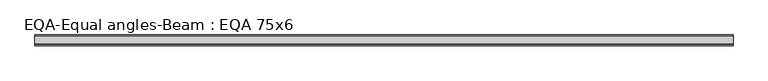
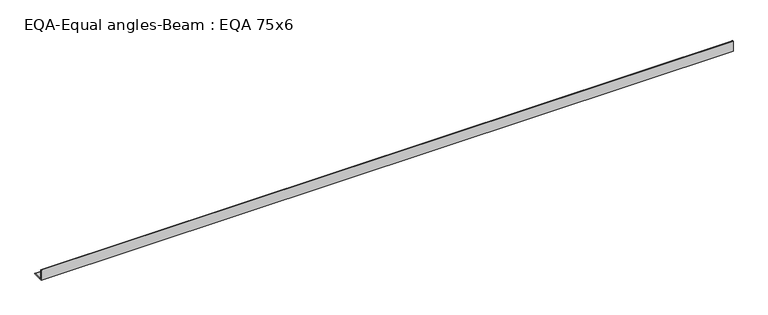
"""IFC4 building model written with IfcOpenShell, lengths in millimetres: beam geometry, EQA-Equal angles-Beam : EQA 75x6."""

from ifc_helpers import new_model, si_unit, point, frame, frame_2d, origin, place, context, project, spatial, polyline, circle_curve, trimmed, segment, composite_curve, outline, extrude, source, transform, mapped, element, save


def eqa_equal_angles_beam_eqa_75x6_db958d44(model_context):
    return source(origin(), model_context, "Body", "SweptSolid", [
        extrude(outline(composite_curve([segment(polyline([(-20.5, -20.5), (-20.5, 54.5), (-19.0, 54.5)]), True, "CONTINUOUS"), segment(trimmed(circle_curve(frame_2d((-19.0, 50.0)), 4.5), [point((-19.0, 54.5))], [point((-14.5, 50.0))], False, "CARTESIAN"), True, "CONTINUOUS"), segment(polyline([(-14.5, 50.0), (-14.5, -5.5)]), True, "CONTINUOUS"), segment(trimmed(circle_curve(frame_2d((-5.5, -5.5)), 9.0), [point((-14.5, -5.5))], [point((-5.5, -14.5))], True, "CARTESIAN"), True, "CONTINUOUS"), segment(polyline([(-5.5, -14.5), (50.0, -14.5)]), True, "CONTINUOUS"), segment(trimmed(circle_curve(frame_2d((50.0, -19.0)), 4.5), [point((50.0, -14.5))], [point((54.5, -19.0))], False, "CARTESIAN"), True, "CONTINUOUS"), segment(polyline([(54.5, -19.0), (54.5, -20.5), (-20.5, -20.5)]), True, "CONTINUOUS")], self_intersect=False)), frame((-2306.3746794, 0.0, 0.0), z_axis=(1.0, 0.0, 0.0), x_axis=(0.0, 1.0, 0.0)), (0.0, 0.0, 1.0), 4788.2517717),
    ])


if __name__ == "__main__":
    model = new_model("IFC4")
    model_context = context("Model", 3, world=origin())
    ifc_project = project(units=[si_unit("LENGTHUNIT", "METRE", prefix="MILLI")], contexts=[model_context])
    site = spatial("IfcSite", under=ifc_project)
    building = spatial("IfcBuilding", under=site)
    placement = place(None, origin())
    eqa_equal_angles_beam_eqa_75x6_shape = eqa_equal_angles_beam_eqa_75x6_db958d44(model_context)
    element("IfcBeam", 1, ObjectType="EQA-Equal angles-Beam : EQA 75x6", at=placement, inside=building, context=model_context, shape_type="MappedRepresentation", body=[
        mapped(eqa_equal_angles_beam_eqa_75x6_shape, transform((0.0, 0.0, 0.0), x_axis=(1.0, 0.0, 0.0), y_axis=(0.0, 1.0, 0.0), z_axis=(0.0, 0.0, 1.0))),
    ])
    save(model, "model.ifc")
